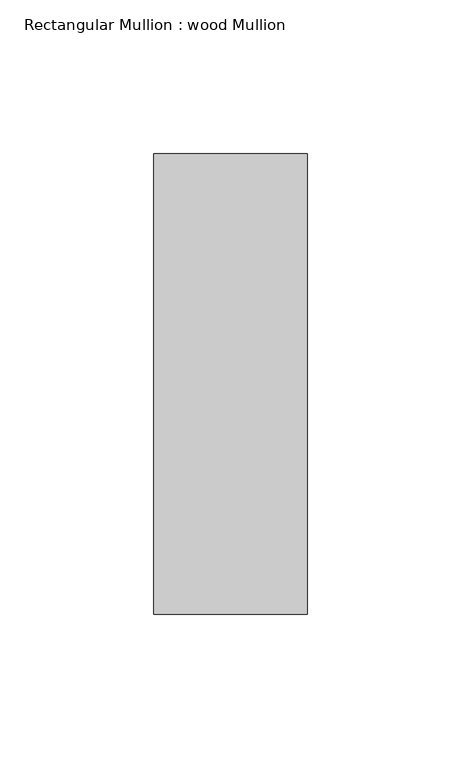
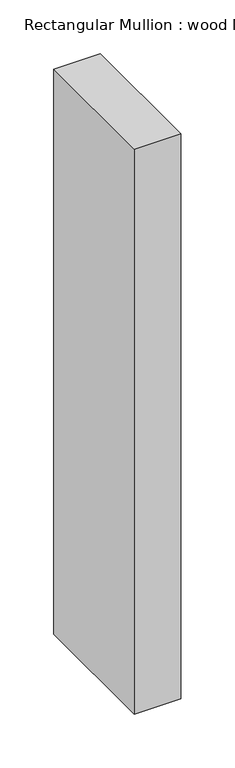
"""IFC4 building model written with IfcOpenShell, lengths in millimetres: member geometry, Rectangular Mullion : wood Mullion."""

from ifc_helpers import new_model, si_unit, frame, origin, place, context, project, spatial, polyline, outline, extrude, source, transform, mapped, element, save


def rectangular_mullion_wood_mullion_a0e2e66f(model_context):
    return source(origin(), model_context, "Body", "SweptSolid", [
        extrude(outline(polyline([(0.0, 75.0), (0.0, -75.0), (-50.0, -75.0), (-50.0, 75.0), (0.0, 75.0)])), frame((0.0, 0.0, -641.6666667), z_axis=(0.0, 0.0, 1.0), x_axis=(1.0, 0.0, 0.0)), (0.0, 0.0, 1.0), 641.6666667),
    ])


if __name__ == "__main__":
    model = new_model("IFC4")
    model_context = context("Model", 3, world=origin())
    ifc_project = project(units=[si_unit("LENGTHUNIT", "METRE", prefix="MILLI")], contexts=[model_context])
    site = spatial("IfcSite", under=ifc_project)
    building = spatial("IfcBuilding", under=site)
    placement = place(None, origin())
    rectangular_mullion_wood_mullion_shape = rectangular_mullion_wood_mullion_a0e2e66f(model_context)
    element("IfcMember", 1, ObjectType="Rectangular Mullion : wood Mullion", at=placement, inside=building, context=model_context, shape_type="MappedRepresentation", body=[
        mapped(rectangular_mullion_wood_mullion_shape, transform((0.0, 0.0, 0.0), x_axis=(1.0, 0.0, 0.0), y_axis=(0.0, 1.0, 0.0), z_axis=(0.0, 0.0, 1.0))),
    ])
    save(model, "model.ifc")
